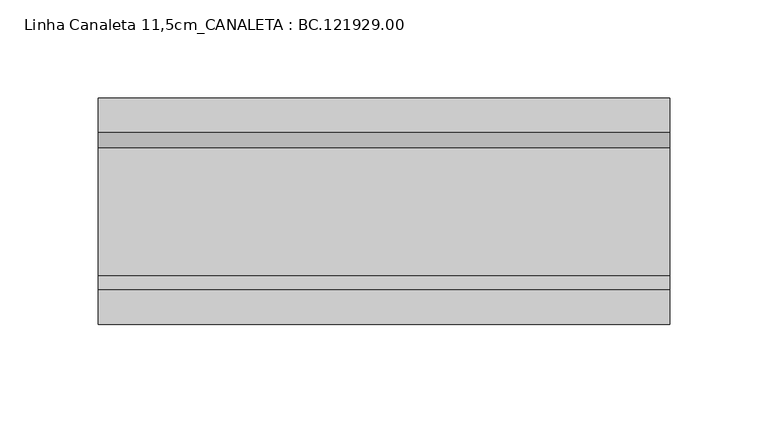
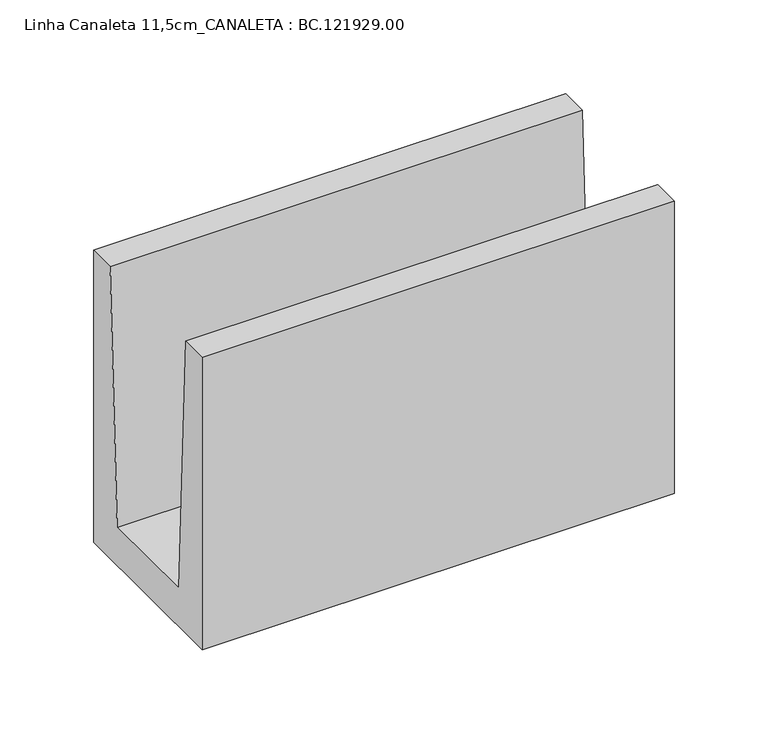
"""IFC4 building model written with IfcOpenShell, lengths in millimetres: proxy geometry, Linha Canaleta 11,5cm_CANALETA : BC.121929.00."""

from ifc_helpers import new_model, si_unit, frame, origin, place, context, project, spatial, polyline, outline, extrude, source, transform, mapped, element, save


def linha_canaleta_11_5cm_canaleta_bc_121929_00_82f29d67(model_context):
    return source(origin(), model_context, "Body", "SweptSolid", [
        extrude(outline(polyline([(57.5, 189.9977051), (57.5, 0.0), (-57.5, 0.0), (-57.5, 189.9977051), (-39.987326, 189.9977051), (-32.496875, 25.003125), (32.496875, 25.003125), (39.987326, 189.9977051), (57.5, 189.9977051)])), frame((5.0, 0.0, 0.0), z_axis=(1.0, 0.0, 0.0), x_axis=(0.0, 1.0, 0.0)), (0.0, 0.0, 1.0), 290.0),
    ])


if __name__ == "__main__":
    model = new_model("IFC4")
    model_context = context("Model", 3, world=origin())
    ifc_project = project(units=[si_unit("LENGTHUNIT", "METRE", prefix="MILLI")], contexts=[model_context])
    site = spatial("IfcSite", under=ifc_project)
    building = spatial("IfcBuilding", under=site)
    placement = place(None, origin())
    linha_canaleta_11_5cm_canaleta_bc_121929_00_shape = linha_canaleta_11_5cm_canaleta_bc_121929_00_82f29d67(model_context)
    element("IfcBuildingElementProxy", 1, Name="Linha Canaleta 11,5cm_CANALETA : BC.121929.00", ObjectType="Linha Canaleta 11,5cm_CANALETA : BC.121929.00", at=placement, inside=building, context=model_context, shape_type="MappedRepresentation", body=[
        mapped(linha_canaleta_11_5cm_canaleta_bc_121929_00_shape, transform((0.0, 0.0, 0.0), x_axis=(1.0, 0.0, 0.0), y_axis=(0.0, 1.0, 0.0), z_axis=(0.0, 0.0, 1.0))),
    ])
    save(model, "model.ifc")
